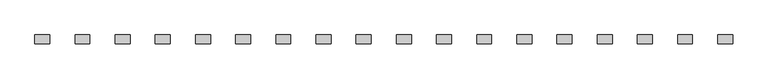
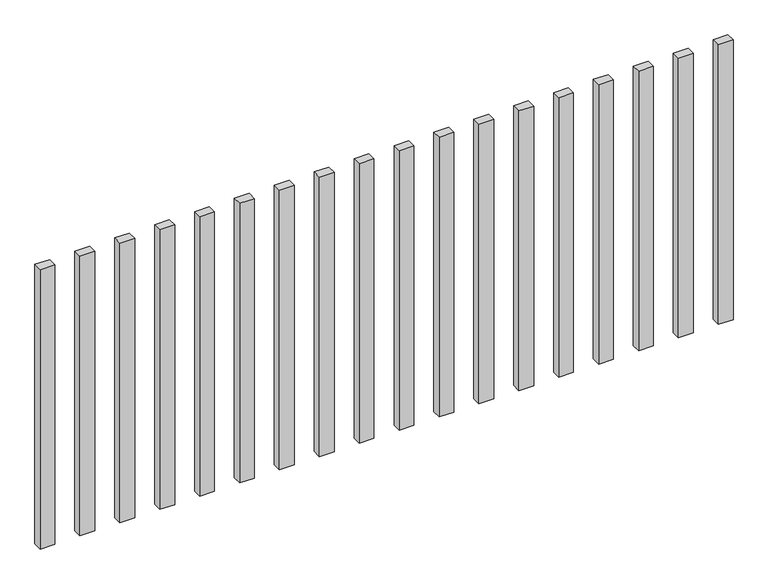
"""IFC4 building model written with IfcOpenShell, lengths in millimetres: railing geometry."""

import ifcopenshell
import ifcopenshell.guid

model = None  # the IFC model being written
_history = None  # IfcOwnerHistory: only IFC2X3 demands one
_inside = {}  # id of a spatial element -> (the spatial element, [elements in it])
_under = {}  # id of a project, library or spatial element -> (it, [spatial elements below it])
_declared = {}  # id of a project -> (the project, [libraries it declares])
_typed = {}  # id of a type object -> (the type object, [elements of that type])
_made_of = {}  # id of a material, layer set ... -> (it, [elements and type objects made of it])


def new_model(schema):
    """Start an empty IFC model of exactly this schema.

    Asked for "IFC4X3", IfcOpenShell would pick the latest addendum, in which some entities
    have other attributes; the version numbers below select the first issue.
    IFC2X3 requires an IfcOwnerHistory on every rooted entity: one is made here for all.
    """
    global model, _history
    if schema == "IFC4X3":
        model = ifcopenshell.file(schema_version=(4, 3, 0, 0))
    else:
        model = ifcopenshell.file(schema=schema)
    _inside.clear()
    _under.clear()
    _declared.clear()
    _typed.clear()
    _made_of.clear()
    _history = None
    if model.schema == "IFC2X3":
        org = make("IfcOrganization", Name="unknown")
        user = make(
            "IfcPersonAndOrganization",
            ThePerson=make("IfcPerson", FamilyName="unknown"),
            TheOrganization=org,
        )
        app = make(
            "IfcApplication",
            ApplicationDeveloper=org,
            Version="unknown",
            ApplicationFullName="unknown",
            ApplicationIdentifier="unknown",
        )
        _history = make(
            "IfcOwnerHistory",
            OwningUser=user,
            OwningApplication=app,
            ChangeAction="ADDED",
            CreationDate=0,
        )
    return model


def make(cls, **values):
    """One entity of the class cls with the attributes given. An attribute that is None is left unset."""
    return model.create_entity(
        cls, **{name: value for name, value in values.items() if value is not None}
    )


def rooted(cls, **values):
    """An entity with a GlobalId (a new one), such as an element, a storey or a relation."""
    return make(cls, GlobalId=ifcopenshell.guid.new(), OwnerHistory=_history, **values)


def si_unit(unit_type, name, prefix=None):
    """IfcSIUnit, for example si_unit("LENGTHUNIT", "METRE", prefix="MILLI")."""
    return make("IfcSIUnit", UnitType=unit_type, Prefix=prefix, Name=name)


def assignment(units):
    """IfcUnitAssignment: the units of a project."""
    return None if units is None else make("IfcUnitAssignment", Units=units)


def point(xyz):
    """IfcCartesianPoint."""
    return None if xyz is None else make("IfcCartesianPoint", Coordinates=xyz)


def direction(xyz):
    """IfcDirection."""
    return None if xyz is None else make("IfcDirection", DirectionRatios=xyz)


def frame(location, z_axis=None, x_axis=None):
    """IfcAxis2Placement3D, a coordinate frame: its origin and axes. An axis left out is left unset."""
    return make(
        "IfcAxis2Placement3D",
        Location=point(location),
        Axis=direction(z_axis),
        RefDirection=direction(x_axis),
    )


def origin():
    """The frame at (0, 0, 0) with its axes left unset."""
    return frame((0.0, 0.0, 0.0))


def origin_with_axes():
    """The frame at (0, 0, 0) with the z axis (0, 0, 1) and the x axis (1, 0, 0) written out."""
    return frame((0.0, 0.0, 0.0), z_axis=(0.0, 0.0, 1.0), x_axis=(1.0, 0.0, 0.0))


def place(relative_to, where):
    """IfcLocalPlacement: puts the frame where relative to a parent placement (None: the world)."""
    return make(
        "IfcLocalPlacement", PlacementRelTo=relative_to, RelativePlacement=where
    )


def context(
    kind, dimensions, precision=None, world=None, true_north=None, identifier=None
):
    """IfcGeometricRepresentationContext, for example the 3D "Model" context."""
    return make(
        "IfcGeometricRepresentationContext",
        ContextIdentifier=identifier,
        ContextType=kind,
        CoordinateSpaceDimension=dimensions,
        Precision=precision,
        WorldCoordinateSystem=world,
        TrueNorth=true_north,
    )


def project(units=None, contexts=None):
    """IfcProject with its units and contexts."""
    return rooted(
        "IfcProject",
        Name="project",
        RepresentationContexts=contexts,
        UnitsInContext=assignment(units),
    )


def spatial(cls, under=None, at=None, **own):
    """A site, building, storey or space (cls), placed at a placement, below another one or the project."""
    s = rooted(cls, ObjectPlacement=at, **own)
    if under is not None:
        _under.setdefault(under.id(), (under, []))[1].append(s)
    return s


def polyline(points):
    """IfcPolyline through the points."""
    return make("IfcPolyline", Points=[point(p) for p in points])


def outline(outer, holes=None, kind="AREA"):
    """IfcArbitraryClosedProfileDef: a profile drawn as a closed curve; with holes, ...WithVoids."""
    if holes is None:
        return make("IfcArbitraryClosedProfileDef", ProfileType=kind, OuterCurve=outer)
    return make(
        "IfcArbitraryProfileDefWithVoids",
        ProfileType=kind,
        OuterCurve=outer,
        InnerCurves=holes,
    )


def extrude(swept, where, along, depth):
    """IfcExtrudedAreaSolid: the profile swept, set in the frame where, extruded along a direction by depth."""
    return make(
        "IfcExtrudedAreaSolid",
        SweptArea=swept,
        Position=where,
        ExtrudedDirection=direction(along),
        Depth=depth,
    )


def shape(context_of_items, identifier, shape_type, items):
    """IfcShapeRepresentation: the items that make up one representation, for example the "Body"."""
    return make(
        "IfcShapeRepresentation",
        ContextOfItems=context_of_items,
        RepresentationIdentifier=identifier,
        RepresentationType=shape_type,
        Items=items,
    )


def source(mapping_origin, context_of_items, identifier, shape_type, items):
    """IfcRepresentationMap: a shape defined once, which mapped items show again and again."""
    return make(
        "IfcRepresentationMap",
        MappingOrigin=mapping_origin,
        MappedRepresentation=shape(context_of_items, identifier, shape_type, items),
    )


def transform(
    local_origin,
    x_axis=None,
    y_axis=None,
    z_axis=None,
    scale=None,
    scale2=None,
    scale3=None,
    uniform=True,
):
    """IfcCartesianTransformationOperator3D, or its non-uniform kind. x_axis, y_axis, z_axis: its Axis1, 2, 3."""
    if uniform:
        return make(
            "IfcCartesianTransformationOperator3D",
            Axis1=direction(x_axis),
            Axis2=direction(y_axis),
            LocalOrigin=point(local_origin),
            Scale=scale,
            Axis3=direction(z_axis),
        )
    return make(
        "IfcCartesianTransformationOperator3DnonUniform",
        Axis1=direction(x_axis),
        Axis2=direction(y_axis),
        LocalOrigin=point(local_origin),
        Scale=scale,
        Axis3=direction(z_axis),
        Scale2=scale2,
        Scale3=scale3,
    )


def mapped(mapping_source, mapping_target):
    """IfcMappedItem: shows the shape of a source again, moved by a transform."""
    return make(
        "IfcMappedItem", MappingSource=mapping_source, MappingTarget=mapping_target
    )


def made_of(thing, what):
    """Note that an element or type object is made of a material, layer set ...; save() writes the relation."""
    if what is not None:
        _made_of.setdefault(what.id(), (what, []))[1].append(thing)
    return thing


def element(
    cls,
    number,
    at=None,
    inside=None,
    cuts=None,
    type_object=None,
    material=None,
    context=None,
    identifier="Body",
    shape_type=None,
    held_by="IfcProductDefinitionShape",
    body=None,
    shapes=None,
    **own,
):
    """One element of the class cls, such as IfcWall. Its Tag is "e" and its number.

    at: its placement. inside: the storey or other place that contains it. cuts: it is an
    opening in that element (IfcRelVoidsElement). A single representation is given by context,
    identifier, shape_type and body (its items); several are given by shapes. held_by: the class
    of the entity that holds the representations. save() writes the other relations.
    """
    e = rooted(cls, Tag="e%d" % number, ObjectPlacement=at, **own)
    if body is not None:
        shapes = [shape(context, identifier, shape_type, body)]
    if shapes is not None:
        e.Representation = make(held_by, Representations=shapes)
    if inside is not None:
        _inside.setdefault(inside.id(), (inside, []))[1].append(e)
    if cuts is not None:
        rooted(
            "IfcRelVoidsElement", RelatingBuildingElement=cuts, RelatedOpeningElement=e
        )
    if type_object is not None:
        _typed.setdefault(type_object.id(), (type_object, []))[1].append(e)
    return made_of(e, material)


def aggregate(whole, parts):
    """IfcRelAggregates: a whole, such as a stair, and the parts it consists of."""
    return rooted("IfcRelAggregates", RelatingObject=whole, RelatedObjects=parts)


def save(model, path):
    """Write the relations noted so far, then the file.

    IfcRelAggregates (storeys below a building ...), IfcRelContainedInSpatialStructure (elements
    in a storey), IfcRelDefinesByType, IfcRelAssociatesMaterial and IfcRelDeclares: one each for
    every whole, place, type object, material and project.
    """
    for whole, parts in _under.values():
        aggregate(whole, parts)
    for where, things in _inside.values():
        rooted(
            "IfcRelContainedInSpatialStructure",
            RelatedElements=things,
            RelatingStructure=where,
        )
    for kind, things in _typed.values():
        rooted("IfcRelDefinesByType", RelatedObjects=things, RelatingType=kind)
    for what, things in _made_of.values():
        rooted("IfcRelAssociatesMaterial", RelatedObjects=things, RelatingMaterial=what)
    for by, libraries in _declared.values():
        rooted("IfcRelDeclares", RelatingContext=by, RelatedDefinitions=libraries)
    model.write(path)


def railing_01abb8fb(model_context):
    return source(origin(), model_context, "Body", "SweptSolid", [
        extrude(outline(polyline([(-5907.5700772, -95944.0267127), (-5907.5700772, -95914.0267127), (-5857.5700772, -95914.0267127), (-5857.5700772, -95944.0267127), (-5907.5700772, -95944.0267127)])), origin_with_axes(), (0.0, 0.0, 1.0), 1000.0),
        extrude(outline(polyline([(-6042.5700772, -95944.0267127), (-6042.5700772, -95914.0267127), (-5992.5700772, -95914.0267127), (-5992.5700772, -95944.0267127), (-6042.5700772, -95944.0267127)])), origin_with_axes(), (0.0, 0.0, 1.0), 1000.0),
        extrude(outline(polyline([(-6177.5700772, -95944.0267127), (-6177.5700772, -95914.0267127), (-6127.5700772, -95914.0267127), (-6127.5700772, -95944.0267127), (-6177.5700772, -95944.0267127)])), origin_with_axes(), (0.0, 0.0, 1.0), 1000.0),
        extrude(outline(polyline([(-6312.5700772, -95944.0267127), (-6312.5700772, -95914.0267127), (-6262.5700772, -95914.0267127), (-6262.5700772, -95944.0267127), (-6312.5700772, -95944.0267127)])), origin_with_axes(), (0.0, 0.0, 1.0), 1000.0),
        extrude(outline(polyline([(-6447.5700772, -95944.0267127), (-6447.5700772, -95914.0267127), (-6397.5700772, -95914.0267127), (-6397.5700772, -95944.0267127), (-6447.5700772, -95944.0267127)])), origin_with_axes(), (0.0, 0.0, 1.0), 1000.0),
        extrude(outline(polyline([(-6582.5700772, -95944.0267127), (-6582.5700772, -95914.0267127), (-6532.5700772, -95914.0267127), (-6532.5700772, -95944.0267127), (-6582.5700772, -95944.0267127)])), origin_with_axes(), (0.0, 0.0, 1.0), 1000.0),
        extrude(outline(polyline([(-6717.5700772, -95944.0267127), (-6717.5700772, -95914.0267127), (-6667.5700772, -95914.0267127), (-6667.5700772, -95944.0267127), (-6717.5700772, -95944.0267127)])), origin_with_axes(), (0.0, 0.0, 1.0), 1000.0),
        extrude(outline(polyline([(-6852.5700772, -95944.0267127), (-6852.5700772, -95914.0267127), (-6802.5700772, -95914.0267127), (-6802.5700772, -95944.0267127), (-6852.5700772, -95944.0267127)])), origin_with_axes(), (0.0, 0.0, 1.0), 1000.0),
        extrude(outline(polyline([(-6987.5700772, -95944.0267127), (-6987.5700772, -95914.0267127), (-6937.5700772, -95914.0267127), (-6937.5700772, -95944.0267127), (-6987.5700772, -95944.0267127)])), origin_with_axes(), (0.0, 0.0, 1.0), 1000.0),
        extrude(outline(polyline([(-7122.5700772, -95944.0267127), (-7122.5700772, -95914.0267127), (-7072.5700772, -95914.0267127), (-7072.5700772, -95944.0267127), (-7122.5700772, -95944.0267127)])), origin_with_axes(), (0.0, 0.0, 1.0), 1000.0),
        extrude(outline(polyline([(-7257.5700772, -95944.0267127), (-7257.5700772, -95914.0267127), (-7207.5700772, -95914.0267127), (-7207.5700772, -95944.0267127), (-7257.5700772, -95944.0267127)])), origin_with_axes(), (0.0, 0.0, 1.0), 1000.0),
        extrude(outline(polyline([(-7392.5700772, -95944.0267127), (-7392.5700772, -95914.0267127), (-7342.5700772, -95914.0267127), (-7342.5700772, -95944.0267127), (-7392.5700772, -95944.0267127)])), origin_with_axes(), (0.0, 0.0, 1.0), 1000.0),
        extrude(outline(polyline([(-7527.5700772, -95944.0267127), (-7527.5700772, -95914.0267127), (-7477.5700772, -95914.0267127), (-7477.5700772, -95944.0267127), (-7527.5700772, -95944.0267127)])), origin_with_axes(), (0.0, 0.0, 1.0), 1000.0),
        extrude(outline(polyline([(-7662.5700772, -95944.0267127), (-7662.5700772, -95914.0267127), (-7612.5700772, -95914.0267127), (-7612.5700772, -95944.0267127), (-7662.5700772, -95944.0267127)])), origin_with_axes(), (0.0, 0.0, 1.0), 1000.0),
        extrude(outline(polyline([(-7797.5700772, -95944.0267127), (-7797.5700772, -95914.0267127), (-7747.5700772, -95914.0267127), (-7747.5700772, -95944.0267127), (-7797.5700772, -95944.0267127)])), origin_with_axes(), (0.0, 0.0, 1.0), 1000.0),
        extrude(outline(polyline([(-7932.5700772, -95944.0267127), (-7932.5700772, -95914.0267127), (-7882.5700772, -95914.0267127), (-7882.5700772, -95944.0267127), (-7932.5700772, -95944.0267127)])), origin_with_axes(), (0.0, 0.0, 1.0), 1000.0),
        extrude(outline(polyline([(-8067.5700772, -95944.0267127), (-8067.5700772, -95914.0267127), (-8017.5700772, -95914.0267127), (-8017.5700772, -95944.0267127), (-8067.5700772, -95944.0267127)])), origin_with_axes(), (0.0, 0.0, 1.0), 1000.0),
        extrude(outline(polyline([(-8202.5700772, -95944.0267127), (-8202.5700772, -95914.0267127), (-8152.5700772, -95914.0267127), (-8152.5700772, -95944.0267127), (-8202.5700772, -95944.0267127)])), origin_with_axes(), (0.0, 0.0, 1.0), 1000.0),
    ])


if __name__ == "__main__":
    model = new_model("IFC4")
    model_context = context("Model", 3, world=origin())
    ifc_project = project(units=[si_unit("LENGTHUNIT", "METRE", prefix="MILLI")], contexts=[model_context])
    site = spatial("IfcSite", under=ifc_project)
    building = spatial("IfcBuilding", under=site)
    placement = place(None, origin())
    railing_shape = railing_01abb8fb(model_context)
    element("IfcRailing", 1, at=placement, inside=building, context=model_context, shape_type="MappedRepresentation", body=[
        mapped(railing_shape, transform((0.0, 0.0, 0.0), x_axis=(1.0, 0.0, 0.0), y_axis=(0.0, 1.0, 0.0), z_axis=(0.0, 0.0, 1.0))),
    ])
    save(model, "model.ifc")
